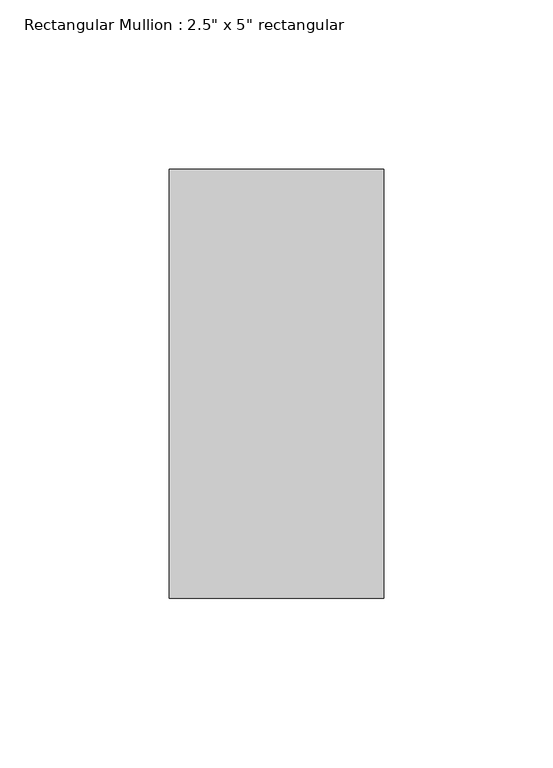
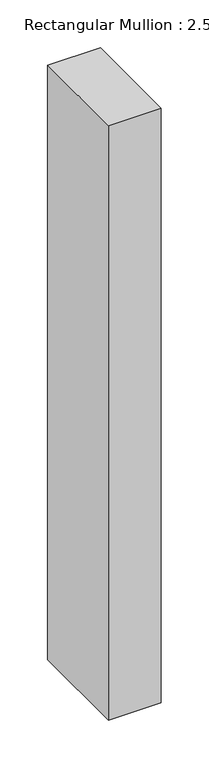
"""IFC4 building model written with IfcOpenShell, lengths in millimetres: member geometry."""

import ifcopenshell
import ifcopenshell.guid

model = None  # the IFC model being written
_history = None  # IfcOwnerHistory: only IFC2X3 demands one
_inside = {}  # id of a spatial element -> (the spatial element, [elements in it])
_under = {}  # id of a project, library or spatial element -> (it, [spatial elements below it])
_declared = {}  # id of a project -> (the project, [libraries it declares])
_typed = {}  # id of a type object -> (the type object, [elements of that type])
_made_of = {}  # id of a material, layer set ... -> (it, [elements and type objects made of it])


def new_model(schema):
    """Start an empty IFC model of exactly this schema.

    Asked for "IFC4X3", IfcOpenShell would pick the latest addendum, in which some entities
    have other attributes; the version numbers below select the first issue.
    IFC2X3 requires an IfcOwnerHistory on every rooted entity: one is made here for all.
    """
    global model, _history
    if schema == "IFC4X3":
        model = ifcopenshell.file(schema_version=(4, 3, 0, 0))
    else:
        model = ifcopenshell.file(schema=schema)
    _inside.clear()
    _under.clear()
    _declared.clear()
    _typed.clear()
    _made_of.clear()
    _history = None
    if model.schema == "IFC2X3":
        org = make("IfcOrganization", Name="unknown")
        user = make(
            "IfcPersonAndOrganization",
            ThePerson=make("IfcPerson", FamilyName="unknown"),
            TheOrganization=org,
        )
        app = make(
            "IfcApplication",
            ApplicationDeveloper=org,
            Version="unknown",
            ApplicationFullName="unknown",
            ApplicationIdentifier="unknown",
        )
        _history = make(
            "IfcOwnerHistory",
            OwningUser=user,
            OwningApplication=app,
            ChangeAction="ADDED",
            CreationDate=0,
        )
    return model


def make(cls, **values):
    """One entity of the class cls with the attributes given. An attribute that is None is left unset."""
    return model.create_entity(
        cls, **{name: value for name, value in values.items() if value is not None}
    )


def rooted(cls, **values):
    """An entity with a GlobalId (a new one), such as an element, a storey or a relation."""
    return make(cls, GlobalId=ifcopenshell.guid.new(), OwnerHistory=_history, **values)


def si_unit(unit_type, name, prefix=None):
    """IfcSIUnit, for example si_unit("LENGTHUNIT", "METRE", prefix="MILLI")."""
    return make("IfcSIUnit", UnitType=unit_type, Prefix=prefix, Name=name)


def assignment(units):
    """IfcUnitAssignment: the units of a project."""
    return None if units is None else make("IfcUnitAssignment", Units=units)


def point(xyz):
    """IfcCartesianPoint."""
    return None if xyz is None else make("IfcCartesianPoint", Coordinates=xyz)


def direction(xyz):
    """IfcDirection."""
    return None if xyz is None else make("IfcDirection", DirectionRatios=xyz)


def frame(location, z_axis=None, x_axis=None):
    """IfcAxis2Placement3D, a coordinate frame: its origin and axes. An axis left out is left unset."""
    return make(
        "IfcAxis2Placement3D",
        Location=point(location),
        Axis=direction(z_axis),
        RefDirection=direction(x_axis),
    )


def origin():
    """The frame at (0, 0, 0) with its axes left unset."""
    return frame((0.0, 0.0, 0.0))


def place(relative_to, where):
    """IfcLocalPlacement: puts the frame where relative to a parent placement (None: the world)."""
    return make(
        "IfcLocalPlacement", PlacementRelTo=relative_to, RelativePlacement=where
    )


def context(
    kind, dimensions, precision=None, world=None, true_north=None, identifier=None
):
    """IfcGeometricRepresentationContext, for example the 3D "Model" context."""
    return make(
        "IfcGeometricRepresentationContext",
        ContextIdentifier=identifier,
        ContextType=kind,
        CoordinateSpaceDimension=dimensions,
        Precision=precision,
        WorldCoordinateSystem=world,
        TrueNorth=true_north,
    )


def project(units=None, contexts=None):
    """IfcProject with its units and contexts."""
    return rooted(
        "IfcProject",
        Name="project",
        RepresentationContexts=contexts,
        UnitsInContext=assignment(units),
    )


def spatial(cls, under=None, at=None, **own):
    """A site, building, storey or space (cls), placed at a placement, below another one or the project."""
    s = rooted(cls, ObjectPlacement=at, **own)
    if under is not None:
        _under.setdefault(under.id(), (under, []))[1].append(s)
    return s


def polyline(points):
    """IfcPolyline through the points."""
    return make("IfcPolyline", Points=[point(p) for p in points])


def outline(outer, holes=None, kind="AREA"):
    """IfcArbitraryClosedProfileDef: a profile drawn as a closed curve; with holes, ...WithVoids."""
    if holes is None:
        return make("IfcArbitraryClosedProfileDef", ProfileType=kind, OuterCurve=outer)
    return make(
        "IfcArbitraryProfileDefWithVoids",
        ProfileType=kind,
        OuterCurve=outer,
        InnerCurves=holes,
    )


def extrude(swept, where, along, depth):
    """IfcExtrudedAreaSolid: the profile swept, set in the frame where, extruded along a direction by depth."""
    return make(
        "IfcExtrudedAreaSolid",
        SweptArea=swept,
        Position=where,
        ExtrudedDirection=direction(along),
        Depth=depth,
    )


def shape(context_of_items, identifier, shape_type, items):
    """IfcShapeRepresentation: the items that make up one representation, for example the "Body"."""
    return make(
        "IfcShapeRepresentation",
        ContextOfItems=context_of_items,
        RepresentationIdentifier=identifier,
        RepresentationType=shape_type,
        Items=items,
    )


def source(mapping_origin, context_of_items, identifier, shape_type, items):
    """IfcRepresentationMap: a shape defined once, which mapped items show again and again."""
    return make(
        "IfcRepresentationMap",
        MappingOrigin=mapping_origin,
        MappedRepresentation=shape(context_of_items, identifier, shape_type, items),
    )


def transform(
    local_origin,
    x_axis=None,
    y_axis=None,
    z_axis=None,
    scale=None,
    scale2=None,
    scale3=None,
    uniform=True,
):
    """IfcCartesianTransformationOperator3D, or its non-uniform kind. x_axis, y_axis, z_axis: its Axis1, 2, 3."""
    if uniform:
        return make(
            "IfcCartesianTransformationOperator3D",
            Axis1=direction(x_axis),
            Axis2=direction(y_axis),
            LocalOrigin=point(local_origin),
            Scale=scale,
            Axis3=direction(z_axis),
        )
    return make(
        "IfcCartesianTransformationOperator3DnonUniform",
        Axis1=direction(x_axis),
        Axis2=direction(y_axis),
        LocalOrigin=point(local_origin),
        Scale=scale,
        Axis3=direction(z_axis),
        Scale2=scale2,
        Scale3=scale3,
    )


def mapped(mapping_source, mapping_target):
    """IfcMappedItem: shows the shape of a source again, moved by a transform."""
    return make(
        "IfcMappedItem", MappingSource=mapping_source, MappingTarget=mapping_target
    )


def made_of(thing, what):
    """Note that an element or type object is made of a material, layer set ...; save() writes the relation."""
    if what is not None:
        _made_of.setdefault(what.id(), (what, []))[1].append(thing)
    return thing


def element(
    cls,
    number,
    at=None,
    inside=None,
    cuts=None,
    type_object=None,
    material=None,
    context=None,
    identifier="Body",
    shape_type=None,
    held_by="IfcProductDefinitionShape",
    body=None,
    shapes=None,
    **own,
):
    """One element of the class cls, such as IfcWall. Its Tag is "e" and its number.

    at: its placement. inside: the storey or other place that contains it. cuts: it is an
    opening in that element (IfcRelVoidsElement). A single representation is given by context,
    identifier, shape_type and body (its items); several are given by shapes. held_by: the class
    of the entity that holds the representations. save() writes the other relations.
    """
    e = rooted(cls, Tag="e%d" % number, ObjectPlacement=at, **own)
    if body is not None:
        shapes = [shape(context, identifier, shape_type, body)]
    if shapes is not None:
        e.Representation = make(held_by, Representations=shapes)
    if inside is not None:
        _inside.setdefault(inside.id(), (inside, []))[1].append(e)
    if cuts is not None:
        rooted(
            "IfcRelVoidsElement", RelatingBuildingElement=cuts, RelatedOpeningElement=e
        )
    if type_object is not None:
        _typed.setdefault(type_object.id(), (type_object, []))[1].append(e)
    return made_of(e, material)


def aggregate(whole, parts):
    """IfcRelAggregates: a whole, such as a stair, and the parts it consists of."""
    return rooted("IfcRelAggregates", RelatingObject=whole, RelatedObjects=parts)


def save(model, path):
    """Write the relations noted so far, then the file.

    IfcRelAggregates (storeys below a building ...), IfcRelContainedInSpatialStructure (elements
    in a storey), IfcRelDefinesByType, IfcRelAssociatesMaterial and IfcRelDeclares: one each for
    every whole, place, type object, material and project.
    """
    for whole, parts in _under.values():
        aggregate(whole, parts)
    for where, things in _inside.values():
        rooted(
            "IfcRelContainedInSpatialStructure",
            RelatedElements=things,
            RelatingStructure=where,
        )
    for kind, things in _typed.values():
        rooted("IfcRelDefinesByType", RelatedObjects=things, RelatingType=kind)
    for what, things in _made_of.values():
        rooted("IfcRelAssociatesMaterial", RelatedObjects=things, RelatingMaterial=what)
    for by, libraries in _declared.values():
        rooted("IfcRelDeclares", RelatingContext=by, RelatedDefinitions=libraries)
    model.write(path)


def member_3469c06f(model_context):
    return source(origin(), model_context, "Body", "SweptSolid", [
        extrude(outline(polyline([(0.0, 63.5), (0.0, -63.5), (-63.5, -63.5), (-63.5, 63.5), (0.0, 63.5)])), frame((0.0, 0.0, -757.7666667), z_axis=(0.0, 0.0, 1.0), x_axis=(1.0, 0.0, 0.0)), (0.0, 0.0, 1.0), 757.7666667),
    ])


if __name__ == "__main__":
    model = new_model("IFC4")
    model_context = context("Model", 3, world=origin())
    ifc_project = project(units=[si_unit("LENGTHUNIT", "METRE", prefix="MILLI")], contexts=[model_context])
    site = spatial("IfcSite", under=ifc_project)
    building = spatial("IfcBuilding", under=site)
    placement = place(None, origin())
    member_shape = member_3469c06f(model_context)
    element("IfcMember", 1, ObjectType="Rectangular Mullion : 2.5\" x 5\" rectangular", at=placement, inside=building, context=model_context, shape_type="MappedRepresentation", body=[
        mapped(member_shape, transform((0.0, 0.0, 0.0), x_axis=(1.0, 0.0, 0.0), y_axis=(0.0, 1.0, 0.0), z_axis=(0.0, 0.0, 1.0))),
    ])
    save(model, "model.ifc")
